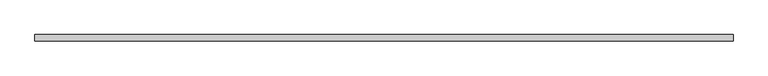
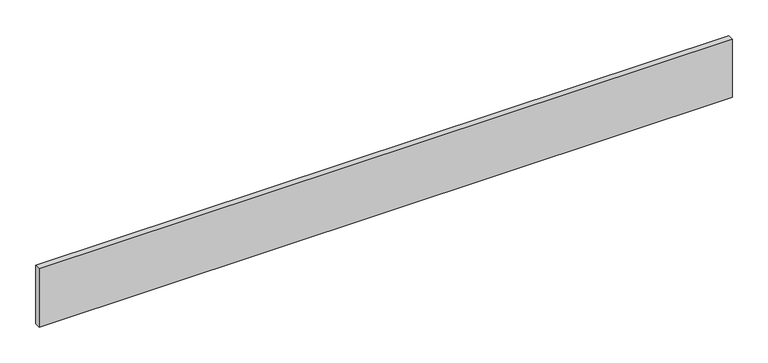
"""IFC4 building model written with IfcOpenShell, lengths in millimetres: furniture geometry."""

from ifc_helpers import new_model, si_unit, origin, origin_with_axes, place, context, project, spatial, polyline, outline, extrude, source, transform, mapped, element, save


def furniture_9f5233ff(model_context):
    return source(origin(), model_context, "Body", "SweptSolid", [
        extrude(outline(polyline([(0.0, 0.0), (0.0, 10.0), (1124.0, 10.0), (1124.0, 0.0), (0.0, 0.0)])), origin_with_axes(), (0.0, 0.0, 1.0), 100.0),
    ])


if __name__ == "__main__":
    model = new_model("IFC4")
    model_context = context("Model", 3, world=origin())
    ifc_project = project(units=[si_unit("LENGTHUNIT", "METRE", prefix="MILLI")], contexts=[model_context])
    site = spatial("IfcSite", under=ifc_project)
    building = spatial("IfcBuilding", under=site)
    placement = place(None, origin())
    furniture_shape = furniture_9f5233ff(model_context)
    element("IfcFurniture", 1, at=placement, inside=building, context=model_context, shape_type="MappedRepresentation", body=[
        mapped(furniture_shape, transform((0.0, 0.0, 0.0), x_axis=(1.0, 0.0, 0.0), y_axis=(0.0, 1.0, 0.0), z_axis=(0.0, 0.0, 1.0))),
    ])
    save(model, "model.ifc")
